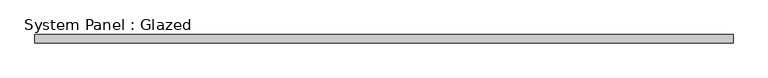
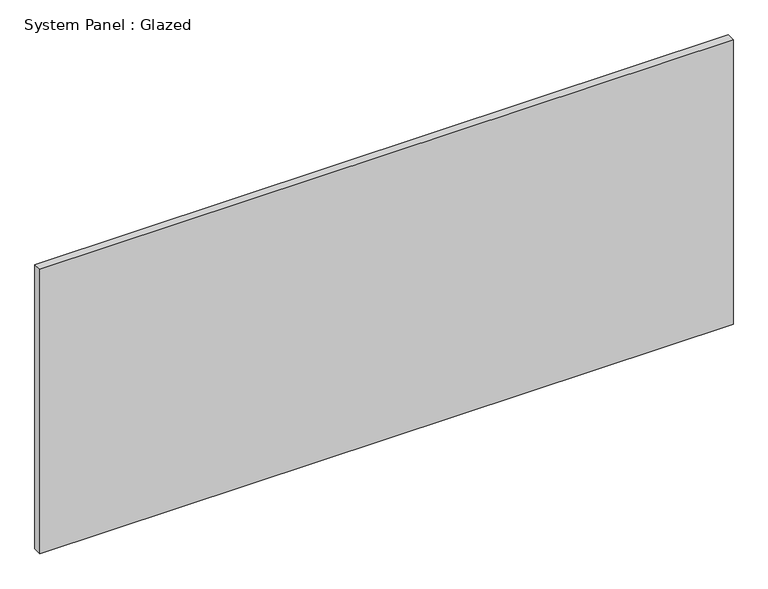
"""IFC4 building model written with IfcOpenShell, lengths in millimetres: plate geometry, System Panel : Glazed."""

from ifc_helpers import new_model, si_unit, origin, origin_with_axes, place, context, project, spatial, polyline, outline, extrude, source, transform, mapped, element, save


def system_panel_glazed_53a304fa(model_context):
    return source(origin(), model_context, "Body", "SweptSolid", [
        extrude(outline(polyline([(1037.5, 24.5), (-1037.5, 24.5), (-1037.5, 49.5), (1037.5, 49.5), (1037.5, 24.5)])), origin_with_axes(), (0.0, 0.0, 1.0), 900.0),
    ])


if __name__ == "__main__":
    model = new_model("IFC4")
    model_context = context("Model", 3, world=origin())
    ifc_project = project(units=[si_unit("LENGTHUNIT", "METRE", prefix="MILLI")], contexts=[model_context])
    site = spatial("IfcSite", under=ifc_project)
    building = spatial("IfcBuilding", under=site)
    placement = place(None, origin())
    system_panel_glazed_shape = system_panel_glazed_53a304fa(model_context)
    element("IfcPlate", 1, ObjectType="System Panel : Glazed", at=placement, inside=building, context=model_context, shape_type="MappedRepresentation", body=[
        mapped(system_panel_glazed_shape, transform((0.0, 0.0, 0.0), x_axis=(1.0, 0.0, 0.0), y_axis=(0.0, 1.0, 0.0), z_axis=(0.0, 0.0, 1.0))),
    ])
    save(model, "model.ifc")
